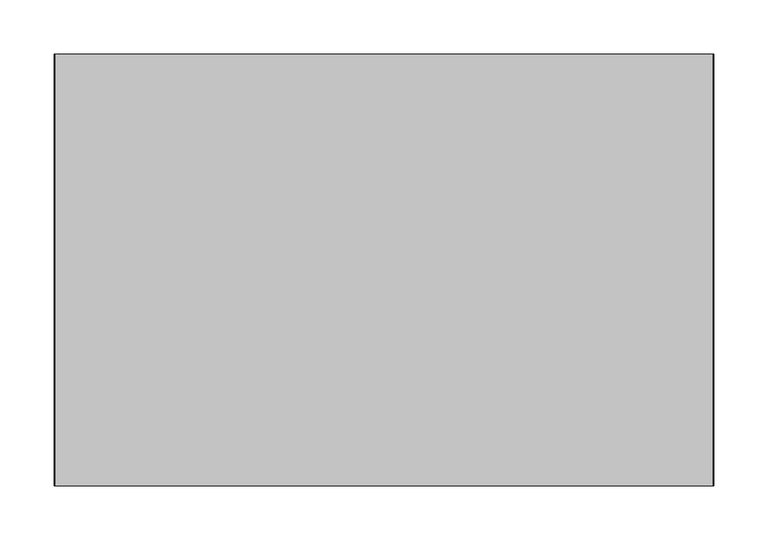
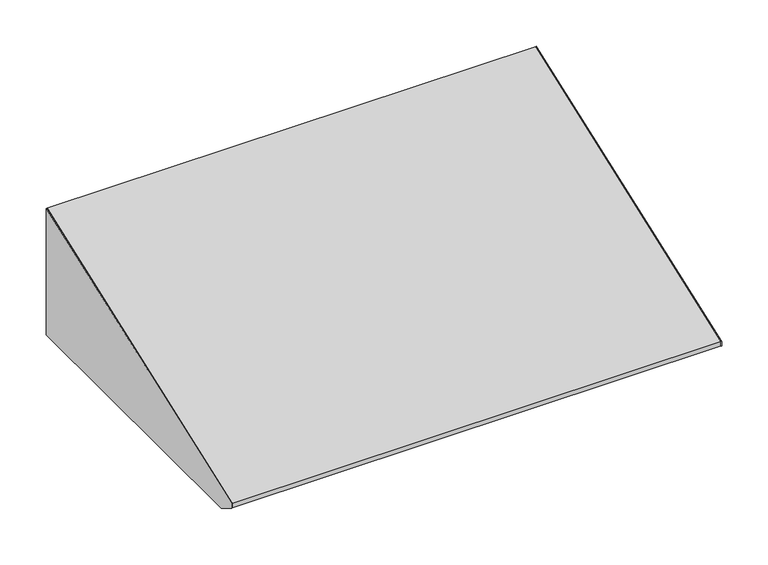
"""IFC4 building model written with IfcOpenShell, lengths in millimetres: furniture geometry."""

from ifc_helpers import new_model, si_unit, frame, origin, place, context, project, spatial, polyline, outline, extrude, source, transform, mapped, element, save


def furniture_1989638f(model_context):
    return source(origin(), model_context, "Body", "SweptSolid", [
        extrude(outline(polyline([(-21.75256, 2287.1325551), (-21.75256, 2120.90762), (-398.9953187, 2120.90762), (-420.83736, 2134.7387616), (-420.83736, 2140.8610122), (-21.75256, 2287.1325551)])), frame((322.7439549, 0.0, 0.0), z_axis=(1.0, 0.0, 0.0), x_axis=(0.0, 1.0, 0.0)), (0.0, 0.0, 1.0), 0.79375),
        extrude(outline(polyline([(-21.75256, 2120.90762), (-398.9953187, 2120.90762), (-420.83736, 2134.7387616), (-420.83736, 2140.8610122), (-21.75256, 2287.1325551), (-21.75256, 2120.90762)])), frame((-286.0622951, 0.0, 0.0), z_axis=(1.0, 0.0, 0.0), x_axis=(0.0, 1.0, 0.0)), (0.0, 0.0, 1.0), 0.79375),
        extrude(outline(polyline([(304.488502, -386.2953187), (304.488502, -97.8702473), (322.7439549, -97.8702473), (322.7439549, -386.2953187), (304.488502, -386.2953187)])), frame((0.0, 0.0, 2120.90762), z_axis=(0.0, 0.0, 1.0), x_axis=(1.0, 0.0, 0.0)), (0.0, 0.0, 1.0), 0.79375),
        extrude(outline(polyline([(-21.75256, 2120.90762), (-97.5295544, 2120.90762), (-97.5295544, 2121.70137), (-22.54631, 2121.70137), (-22.54631, 2272.6228989), (-21.75256, 2272.6228989), (-21.75256, 2120.90762)])), frame((312.1081836, 0.0, 0.0), z_axis=(1.0, 0.0, 0.0), x_axis=(0.0, 1.0, 0.0)), (0.0, 0.0, 1.0), 10.6357713),
        extrude(outline(polyline([(-21.75256, 2120.90762), (-97.5295544, 2120.90762), (-97.5295544, 2121.70137), (-22.54631, 2121.70137), (-22.54631, 2272.6228989), (-21.75256, 2272.6228989), (-21.75256, 2120.90762)])), frame((-285.2685451, 0.0, 0.0), z_axis=(1.0, 0.0, 0.0), x_axis=(0.0, 1.0, 0.0)), (0.0, 0.0, 1.0), 10.6357713),
        extrude(outline(polyline([(-285.2685451, -386.2953187), (-285.2685451, -97.8702473), (-267.0130922, -97.8702473), (-267.0130922, -386.2953187), (-285.2685451, -386.2953187)])), frame((0.0, 0.0, 2120.90762), z_axis=(0.0, 0.0, 1.0), x_axis=(1.0, 0.0, 0.0)), (0.0, 0.0, 1.0), 0.79375),
        extrude(outline(polyline([(-420.83736, 2140.8610122), (-21.75256, 2287.1325551), (-21.75256, 2272.6228989), (-22.54631, 2272.6228989), (-22.54631, 2285.9963009), (-420.04361, 2140.3065244), (-420.04361, 2135.1756399), (-221.2358067, 2121.70137), (-386.2953187, 2121.70137), (-386.2953187, 2120.90762), (-398.9953187, 2120.90762), (-420.83736, 2134.7387616), (-420.83736, 2140.8610122)])), frame((-285.2685451, 0.0, 0.0), z_axis=(1.0, 0.0, 0.0), x_axis=(0.0, 1.0, 0.0)), (0.0, 0.0, 1.0), 608.0125),
    ])


if __name__ == "__main__":
    model = new_model("IFC4")
    model_context = context("Model", 3, world=origin())
    ifc_project = project(units=[si_unit("LENGTHUNIT", "METRE", prefix="MILLI")], contexts=[model_context])
    site = spatial("IfcSite", under=ifc_project)
    building = spatial("IfcBuilding", under=site)
    placement = place(None, origin())
    furniture_shape = furniture_1989638f(model_context)
    element("IfcFurniture", 1, at=placement, inside=building, context=model_context, shape_type="MappedRepresentation", body=[
        mapped(furniture_shape, transform((0.0, 0.0, 0.0), x_axis=(1.0, 0.0, 0.0), y_axis=(0.0, 1.0, 0.0), z_axis=(0.0, 0.0, 1.0))),
    ])
    save(model, "model.ifc")
